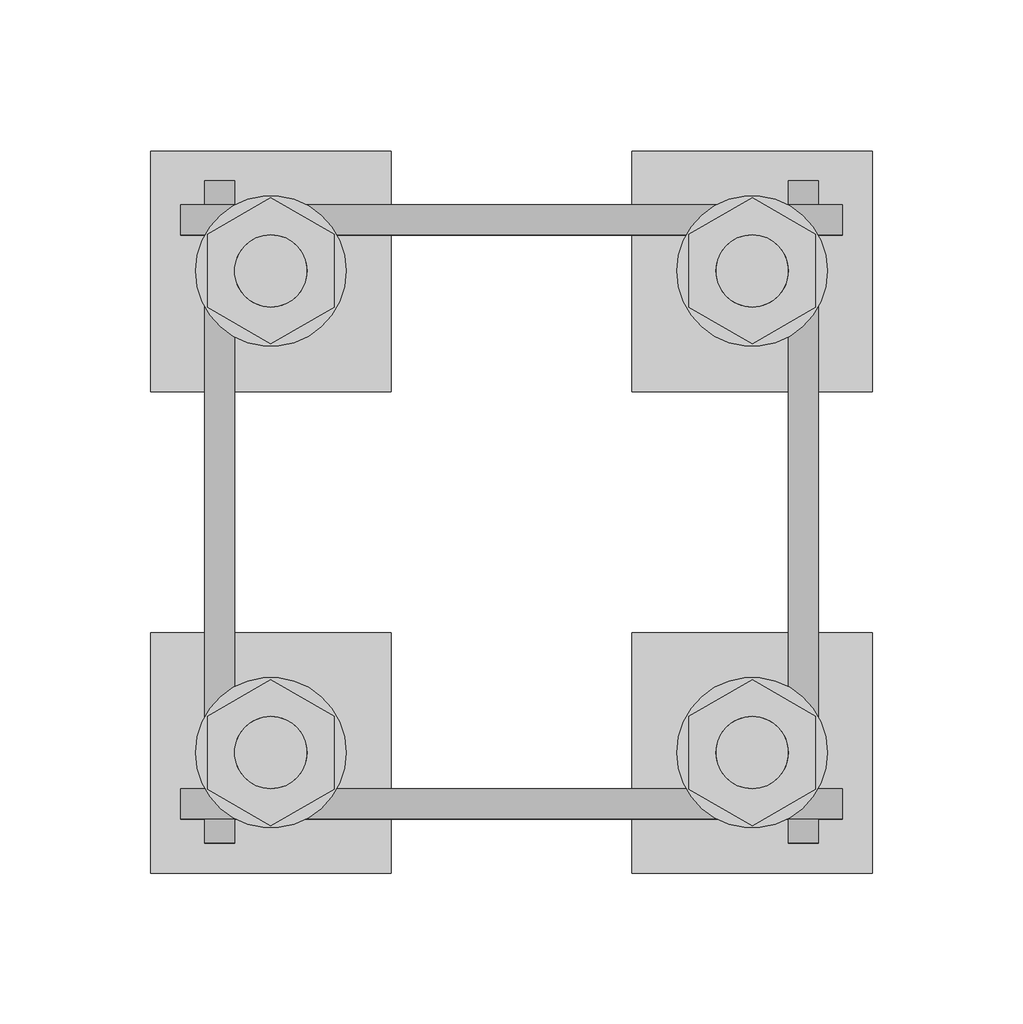
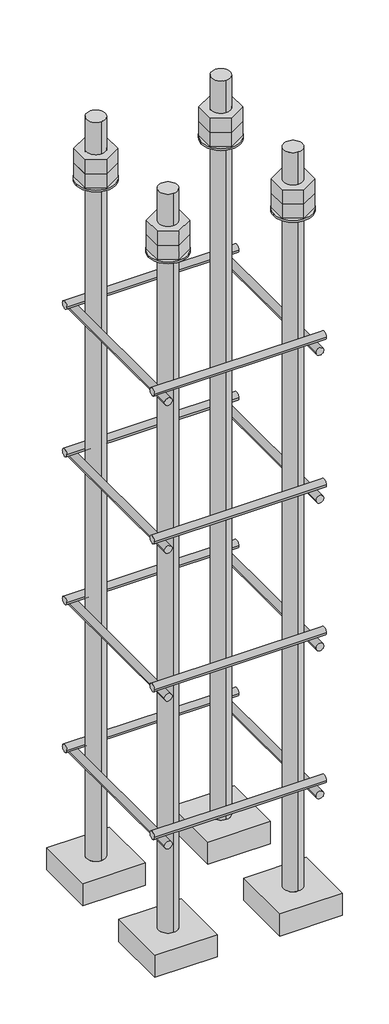
# One storey, part 26 of 66: 1 fastener.
"""IFC4 building model written with IfcOpenShell, lengths in millimetres."""

import ifcopenshell
import ifcopenshell.guid

model = None  # the IFC model being written
_history = None  # IfcOwnerHistory: only IFC2X3 demands one
_inside = {}  # id of a spatial element -> (the spatial element, [elements in it])
_under = {}  # id of a project, library or spatial element -> (it, [spatial elements below it])
_declared = {}  # id of a project -> (the project, [libraries it declares])
_typed = {}  # id of a type object -> (the type object, [elements of that type])
_made_of = {}  # id of a material, layer set ... -> (it, [elements and type objects made of it])


def new_model(schema):
    """Start an empty IFC model of exactly this schema.

    Asked for "IFC4X3", IfcOpenShell would pick the latest addendum, in which some entities
    have other attributes; the version numbers below select the first issue.
    IFC2X3 requires an IfcOwnerHistory on every rooted entity: one is made here for all.
    """
    global model, _history
    if schema == "IFC4X3":
        model = ifcopenshell.file(schema_version=(4, 3, 0, 0))
    else:
        model = ifcopenshell.file(schema=schema)
    _inside.clear()
    _under.clear()
    _declared.clear()
    _typed.clear()
    _made_of.clear()
    _history = None
    if model.schema == "IFC2X3":
        org = make("IfcOrganization", Name="unknown")
        user = make(
            "IfcPersonAndOrganization",
            ThePerson=make("IfcPerson", FamilyName="unknown"),
            TheOrganization=org,
        )
        app = make(
            "IfcApplication",
            ApplicationDeveloper=org,
            Version="unknown",
            ApplicationFullName="unknown",
            ApplicationIdentifier="unknown",
        )
        _history = make(
            "IfcOwnerHistory",
            OwningUser=user,
            OwningApplication=app,
            ChangeAction="ADDED",
            CreationDate=0,
        )
    return model


def make(cls, **values):
    """One entity of the class cls with the attributes given. An attribute that is None is left unset."""
    return model.create_entity(
        cls, **{name: value for name, value in values.items() if value is not None}
    )


def rooted(cls, **values):
    """An entity with a GlobalId (a new one), such as an element, a storey or a relation."""
    return make(cls, GlobalId=ifcopenshell.guid.new(), OwnerHistory=_history, **values)


def si_unit(unit_type, name, prefix=None):
    """IfcSIUnit, for example si_unit("LENGTHUNIT", "METRE", prefix="MILLI")."""
    return make("IfcSIUnit", UnitType=unit_type, Prefix=prefix, Name=name)


def assignment(units):
    """IfcUnitAssignment: the units of a project."""
    return None if units is None else make("IfcUnitAssignment", Units=units)


def point(xyz):
    """IfcCartesianPoint."""
    return None if xyz is None else make("IfcCartesianPoint", Coordinates=xyz)


def direction(xyz):
    """IfcDirection."""
    return None if xyz is None else make("IfcDirection", DirectionRatios=xyz)


def frame(location, z_axis=None, x_axis=None):
    """IfcAxis2Placement3D, a coordinate frame: its origin and axes. An axis left out is left unset."""
    return make(
        "IfcAxis2Placement3D",
        Location=point(location),
        Axis=direction(z_axis),
        RefDirection=direction(x_axis),
    )


def frame_2d(location, x_axis=None):
    """IfcAxis2Placement2D, a coordinate frame in the plane: its origin and x axis."""
    return make(
        "IfcAxis2Placement2D", Location=point(location), RefDirection=direction(x_axis)
    )


def origin():
    """The frame at (0, 0, 0) with its axes left unset."""
    return frame((0.0, 0.0, 0.0))


def place(relative_to, where):
    """IfcLocalPlacement: puts the frame where relative to a parent placement (None: the world)."""
    return make(
        "IfcLocalPlacement", PlacementRelTo=relative_to, RelativePlacement=where
    )


def context(
    kind, dimensions, precision=None, world=None, true_north=None, identifier=None
):
    """IfcGeometricRepresentationContext, for example the 3D "Model" context."""
    return make(
        "IfcGeometricRepresentationContext",
        ContextIdentifier=identifier,
        ContextType=kind,
        CoordinateSpaceDimension=dimensions,
        Precision=precision,
        WorldCoordinateSystem=world,
        TrueNorth=true_north,
    )


def project(units=None, contexts=None):
    """IfcProject with its units and contexts."""
    return rooted(
        "IfcProject",
        Name="project",
        RepresentationContexts=contexts,
        UnitsInContext=assignment(units),
    )


def spatial(cls, under=None, at=None, **own):
    """A site, building, storey or space (cls), placed at a placement, below another one or the project."""
    s = rooted(cls, ObjectPlacement=at, **own)
    if under is not None:
        _under.setdefault(under.id(), (under, []))[1].append(s)
    return s


def polyline(points):
    """IfcPolyline through the points."""
    return make("IfcPolyline", Points=[point(p) for p in points])


def circle_curve(where, radius):
    """IfcCircle in the frame where."""
    return make("IfcCircle", Position=where, Radius=radius)


def trimmed(basis, trim1, trim2, sense, master):
    """IfcTrimmedCurve: the piece of a basis curve between two trims."""
    return make(
        "IfcTrimmedCurve",
        BasisCurve=basis,
        Trim1=trim1,
        Trim2=trim2,
        SenseAgreement=sense,
        MasterRepresentation=master,
    )


def segment(curve, same_sense, transition):
    """IfcCompositeCurveSegment."""
    return make(
        "IfcCompositeCurveSegment",
        Transition=transition,
        SameSense=same_sense,
        ParentCurve=curve,
    )


def composite_curve(segments, self_intersect=None):
    """IfcCompositeCurve: segments joined end to end."""
    return make("IfcCompositeCurve", Segments=segments, SelfIntersect=self_intersect)


def outline(outer, holes=None, kind="AREA"):
    """IfcArbitraryClosedProfileDef: a profile drawn as a closed curve; with holes, ...WithVoids."""
    if holes is None:
        return make("IfcArbitraryClosedProfileDef", ProfileType=kind, OuterCurve=outer)
    return make(
        "IfcArbitraryProfileDefWithVoids",
        ProfileType=kind,
        OuterCurve=outer,
        InnerCurves=holes,
    )


def extrude(swept, where, along, depth):
    """IfcExtrudedAreaSolid: the profile swept, set in the frame where, extruded along a direction by depth."""
    return make(
        "IfcExtrudedAreaSolid",
        SweptArea=swept,
        Position=where,
        ExtrudedDirection=direction(along),
        Depth=depth,
    )


def shape(context_of_items, identifier, shape_type, items):
    """IfcShapeRepresentation: the items that make up one representation, for example the "Body"."""
    return make(
        "IfcShapeRepresentation",
        ContextOfItems=context_of_items,
        RepresentationIdentifier=identifier,
        RepresentationType=shape_type,
        Items=items,
    )


def made_of(thing, what):
    """Note that an element or type object is made of a material, layer set ...; save() writes the relation."""
    if what is not None:
        _made_of.setdefault(what.id(), (what, []))[1].append(thing)
    return thing


def element(
    cls,
    number,
    at=None,
    inside=None,
    cuts=None,
    type_object=None,
    material=None,
    context=None,
    identifier="Body",
    shape_type=None,
    held_by="IfcProductDefinitionShape",
    body=None,
    shapes=None,
    **own,
):
    """One element of the class cls, such as IfcWall. Its Tag is "e" and its number.

    at: its placement. inside: the storey or other place that contains it. cuts: it is an
    opening in that element (IfcRelVoidsElement). A single representation is given by context,
    identifier, shape_type and body (its items); several are given by shapes. held_by: the class
    of the entity that holds the representations. save() writes the other relations.
    """
    e = rooted(cls, Tag="e%d" % number, ObjectPlacement=at, **own)
    if body is not None:
        shapes = [shape(context, identifier, shape_type, body)]
    if shapes is not None:
        e.Representation = make(held_by, Representations=shapes)
    if inside is not None:
        _inside.setdefault(inside.id(), (inside, []))[1].append(e)
    if cuts is not None:
        rooted(
            "IfcRelVoidsElement", RelatingBuildingElement=cuts, RelatedOpeningElement=e
        )
    if type_object is not None:
        _typed.setdefault(type_object.id(), (type_object, []))[1].append(e)
    return made_of(e, material)


def aggregate(whole, parts):
    """IfcRelAggregates: a whole, such as a stair, and the parts it consists of."""
    return rooted("IfcRelAggregates", RelatingObject=whole, RelatedObjects=parts)


def save(model, path):
    """Write the relations noted so far, then the file.

    IfcRelAggregates (storeys below a building ...), IfcRelContainedInSpatialStructure (elements
    in a storey), IfcRelDefinesByType, IfcRelAssociatesMaterial and IfcRelDeclares: one each for
    every whole, place, type object, material and project.
    """
    for whole, parts in _under.values():
        aggregate(whole, parts)
    for where, things in _inside.values():
        rooted(
            "IfcRelContainedInSpatialStructure",
            RelatedElements=things,
            RelatingStructure=where,
        )
    for kind, things in _typed.values():
        rooted("IfcRelDefinesByType", RelatedObjects=things, RelatingType=kind)
    for what, things in _made_of.values():
        rooted("IfcRelAssociatesMaterial", RelatedObjects=things, RelatingMaterial=what)
    for by, libraries in _declared.values():
        rooted("IfcRelDeclares", RelatingContext=by, RelatedDefinitions=libraries)
    model.write(path)


def plane_surface(at):
    """IfcPlane: the flat surface through the origin of the frame at, square to its z axis."""
    return make("IfcPlane", Position=at)


def cylinder_surface(at, radius):
    """IfcCylindricalSurface: all points at the distance radius from the z axis of the frame at."""
    return make("IfcCylindricalSurface", Position=at, Radius=radius)


def advanced_brep(points, edges, surfaces, faces):
    """IfcAdvancedBrep: a solid bounded by faces that lie on surfaces and meet in shared edges.

    An edge is (start, end): straight between two places in points (the first is 0);
    or (start, end, curve); or (start, end, curve, False) where it runs against its curve.
    A face is (place in surfaces, loops), or (place, loops, False) where it looks against
    its surface's normal. A loop lists edges by number (the first is 1), with a minus sign
    where the edge is run from its end to its start. The first loop is the outer one.
    """
    corners = [point(p) for p in points]
    vertices = [make("IfcVertexPoint", VertexGeometry=c) for c in corners]
    made = []
    for start, end, *more in edges:
        made.append(
            make(
                "IfcEdgeCurve",
                EdgeStart=vertices[start],
                EdgeEnd=vertices[end],
                EdgeGeometry=more[0] if more else make("IfcPolyline", Points=[corners[start], corners[end]]),
                SameSense=more[1] if len(more) > 1 else True,
            )
        )
    hull = []
    for where, loops, *sense in faces:
        bounds = []
        for j, loop in enumerate(loops):
            ring = [make("IfcOrientedEdge", EdgeElement=made[abs(k) - 1], Orientation=k > 0) for k in loop]
            bounds.append(
                make(
                    "IfcFaceOuterBound" if j == 0 else "IfcFaceBound",
                    Bound=make("IfcEdgeLoop", EdgeList=ring),
                    Orientation=True,
                )
            )
        hull.append(make("IfcAdvancedFace", Bounds=bounds, FaceSurface=surfaces[where], SameSense=sense[0] if sense else True))
    return make("IfcAdvancedBrep", Outer=make("IfcClosedShell", CfsFaces=hull))


model = new_model("IFC4")

# Units and contexts
model_context = context("Model", 3, world=origin())
ifc_project = project(units=[si_unit("LENGTHUNIT", "METRE", prefix="MILLI")], contexts=[model_context])

# Site, building, storey
site = spatial("IfcSite", under=ifc_project)
building = spatial("IfcBuilding", under=site)
storey = spatial("IfcBuildingStorey", under=building, Elevation=9070.0)

# Fastener
placement = place(None, origin())
element("IfcFastener", 1, ObjectType="AU1 : AU-01", at=placement, inside=storey, context=model_context, shape_type="SolidModel", body=[
    extrude(outline(composite_curve([segment(trimmed(circle_curve(frame_2d((20703.0, 8595.0)), 5.0), [point((20698.0, 8595.0))], [point((20708.0, 8595.0))], False, "CARTESIAN"), True, "CONTINUOUS"), segment(trimmed(circle_curve(frame_2d((20703.0, 8595.0)), 5.0), [point((20708.0, 8595.0))], [point((20698.0, 8595.0))], False, "CARTESIAN"), True, "CONTINUOUS")], self_intersect=False)), frame((35040.0, 0.0, 0.0), z_axis=(1.0, 0.0, 0.0), x_axis=(0.0, 1.0, 0.0)), (0.0, 0.0, 1.0), 220.0),
    extrude(outline(composite_curve([segment(trimmed(circle_curve(frame_2d((20897.0, 8595.0)), 5.0), [point((20902.0, 8595.0))], [point((20892.0, 8595.0))], False, "CARTESIAN"), True, "CONTINUOUS"), segment(trimmed(circle_curve(frame_2d((20897.0, 8595.0)), 5.0), [point((20892.0, 8595.0))], [point((20902.0, 8595.0))], False, "CARTESIAN"), True, "CONTINUOUS")], self_intersect=False)), frame((35040.0, 0.0, 0.0), z_axis=(1.0, 0.0, 0.0), x_axis=(0.0, 1.0, 0.0)), (0.0, 0.0, 1.0), 220.0),
    extrude(outline(composite_curve([segment(trimmed(circle_curve(frame_2d((8585.0, 35053.0)), 5.0), [point((8585.0, 35048.0))], [point((8585.0, 35058.0))], False, "CARTESIAN"), True, "CONTINUOUS"), segment(trimmed(circle_curve(frame_2d((8585.0, 35053.0)), 5.0), [point((8585.0, 35058.0))], [point((8585.0, 35048.0))], False, "CARTESIAN"), True, "CONTINUOUS")], self_intersect=False)), frame((0.0, 20690.0, 0.0), z_axis=(0.0, 1.0, 0.0), x_axis=(0.0, 0.0, 1.0)), (0.0, 0.0, 1.0), 220.0),
    extrude(outline(composite_curve([segment(trimmed(circle_curve(frame_2d((8585.0, 35247.0)), 5.0), [point((8585.0, 35252.0))], [point((8585.0, 35242.0))], False, "CARTESIAN"), True, "CONTINUOUS"), segment(trimmed(circle_curve(frame_2d((8585.0, 35247.0)), 5.0), [point((8585.0, 35242.0))], [point((8585.0, 35252.0))], False, "CARTESIAN"), True, "CONTINUOUS")], self_intersect=False)), frame((0.0, 20690.0, 0.0), z_axis=(0.0, 1.0, 0.0), x_axis=(0.0, 0.0, 1.0)), (0.0, 0.0, 1.0), 220.0),
    extrude(outline(composite_curve([segment(trimmed(circle_curve(frame_2d((20703.0, 8795.0)), 5.0), [point((20698.0, 8795.0))], [point((20708.0, 8795.0))], False, "CARTESIAN"), True, "CONTINUOUS"), segment(trimmed(circle_curve(frame_2d((20703.0, 8795.0)), 5.0), [point((20708.0, 8795.0))], [point((20698.0, 8795.0))], False, "CARTESIAN"), True, "CONTINUOUS")], self_intersect=False)), frame((35040.0, 0.0, 0.0), z_axis=(1.0, 0.0, 0.0), x_axis=(0.0, 1.0, 0.0)), (0.0, 0.0, 1.0), 220.0),
    extrude(outline(composite_curve([segment(trimmed(circle_curve(frame_2d((20897.0, 8795.0)), 5.0), [point((20902.0, 8795.0))], [point((20892.0, 8795.0))], False, "CARTESIAN"), True, "CONTINUOUS"), segment(trimmed(circle_curve(frame_2d((20897.0, 8795.0)), 5.0), [point((20892.0, 8795.0))], [point((20902.0, 8795.0))], False, "CARTESIAN"), True, "CONTINUOUS")], self_intersect=False)), frame((35040.0, 0.0, 0.0), z_axis=(1.0, 0.0, 0.0), x_axis=(0.0, 1.0, 0.0)), (0.0, 0.0, 1.0), 220.0),
    extrude(outline(composite_curve([segment(trimmed(circle_curve(frame_2d((8785.0, 35053.0)), 5.0), [point((8785.0, 35048.0))], [point((8785.0, 35058.0))], False, "CARTESIAN"), True, "CONTINUOUS"), segment(trimmed(circle_curve(frame_2d((8785.0, 35053.0)), 5.0), [point((8785.0, 35058.0))], [point((8785.0, 35048.0))], False, "CARTESIAN"), True, "CONTINUOUS")], self_intersect=False)), frame((0.0, 20690.0, 0.0), z_axis=(0.0, 1.0, 0.0), x_axis=(0.0, 0.0, 1.0)), (0.0, 0.0, 1.0), 220.0),
    extrude(outline(composite_curve([segment(trimmed(circle_curve(frame_2d((8785.0, 35247.0)), 5.0), [point((8785.0, 35252.0))], [point((8785.0, 35242.0))], False, "CARTESIAN"), True, "CONTINUOUS"), segment(trimmed(circle_curve(frame_2d((8785.0, 35247.0)), 5.0), [point((8785.0, 35242.0))], [point((8785.0, 35252.0))], False, "CARTESIAN"), True, "CONTINUOUS")], self_intersect=False)), frame((0.0, 20690.0, 0.0), z_axis=(0.0, 1.0, 0.0), x_axis=(0.0, 0.0, 1.0)), (0.0, 0.0, 1.0), 220.0),
    extrude(outline(composite_curve([segment(trimmed(circle_curve(frame_2d((20703.0, 8995.0)), 5.0), [point((20698.0, 8995.0))], [point((20708.0, 8995.0))], False, "CARTESIAN"), True, "CONTINUOUS"), segment(trimmed(circle_curve(frame_2d((20703.0, 8995.0)), 5.0), [point((20708.0, 8995.0))], [point((20698.0, 8995.0))], False, "CARTESIAN"), True, "CONTINUOUS")], self_intersect=False)), frame((35040.0, 0.0, 0.0), z_axis=(1.0, 0.0, 0.0), x_axis=(0.0, 1.0, 0.0)), (0.0, 0.0, 1.0), 220.0),
    extrude(outline(composite_curve([segment(trimmed(circle_curve(frame_2d((20897.0, 8995.0)), 5.0), [point((20902.0, 8995.0))], [point((20892.0, 8995.0))], False, "CARTESIAN"), True, "CONTINUOUS"), segment(trimmed(circle_curve(frame_2d((20897.0, 8995.0)), 5.0), [point((20892.0, 8995.0))], [point((20902.0, 8995.0))], False, "CARTESIAN"), True, "CONTINUOUS")], self_intersect=False)), frame((35040.0, 0.0, 0.0), z_axis=(1.0, 0.0, 0.0), x_axis=(0.0, 1.0, 0.0)), (0.0, 0.0, 1.0), 220.0),
    extrude(outline(composite_curve([segment(trimmed(circle_curve(frame_2d((8985.0, 35053.0)), 5.0), [point((8985.0, 35048.0))], [point((8985.0, 35058.0))], False, "CARTESIAN"), True, "CONTINUOUS"), segment(trimmed(circle_curve(frame_2d((8985.0, 35053.0)), 5.0), [point((8985.0, 35058.0))], [point((8985.0, 35048.0))], False, "CARTESIAN"), True, "CONTINUOUS")], self_intersect=False)), frame((0.0, 20690.0, 0.0), z_axis=(0.0, 1.0, 0.0), x_axis=(0.0, 0.0, 1.0)), (0.0, 0.0, 1.0), 220.0),
    extrude(outline(composite_curve([segment(trimmed(circle_curve(frame_2d((8985.0, 35247.0)), 5.0), [point((8985.0, 35252.0))], [point((8985.0, 35242.0))], False, "CARTESIAN"), True, "CONTINUOUS"), segment(trimmed(circle_curve(frame_2d((8985.0, 35247.0)), 5.0), [point((8985.0, 35242.0))], [point((8985.0, 35252.0))], False, "CARTESIAN"), True, "CONTINUOUS")], self_intersect=False)), frame((0.0, 20690.0, 0.0), z_axis=(0.0, 1.0, 0.0), x_axis=(0.0, 0.0, 1.0)), (0.0, 0.0, 1.0), 220.0),
    extrude(outline(composite_curve([segment(trimmed(circle_curve(frame_2d((20703.0, 9195.0)), 5.0), [point((20698.0, 9195.0))], [point((20708.0, 9195.0))], False, "CARTESIAN"), True, "CONTINUOUS"), segment(trimmed(circle_curve(frame_2d((20703.0, 9195.0)), 5.0), [point((20708.0, 9195.0))], [point((20698.0, 9195.0))], False, "CARTESIAN"), True, "CONTINUOUS")], self_intersect=False)), frame((35040.0, 0.0, 0.0), z_axis=(1.0, 0.0, 0.0), x_axis=(0.0, 1.0, 0.0)), (0.0, 0.0, 1.0), 220.0),
    extrude(outline(composite_curve([segment(trimmed(circle_curve(frame_2d((20897.0, 9195.0)), 5.0), [point((20902.0, 9195.0))], [point((20892.0, 9195.0))], False, "CARTESIAN"), True, "CONTINUOUS"), segment(trimmed(circle_curve(frame_2d((20897.0, 9195.0)), 5.0), [point((20892.0, 9195.0))], [point((20902.0, 9195.0))], False, "CARTESIAN"), True, "CONTINUOUS")], self_intersect=False)), frame((35040.0, 0.0, 0.0), z_axis=(1.0, 0.0, 0.0), x_axis=(0.0, 1.0, 0.0)), (0.0, 0.0, 1.0), 220.0),
    extrude(outline(composite_curve([segment(trimmed(circle_curve(frame_2d((9185.0, 35053.0)), 5.0), [point((9185.0, 35048.0))], [point((9185.0, 35058.0))], False, "CARTESIAN"), True, "CONTINUOUS"), segment(trimmed(circle_curve(frame_2d((9185.0, 35053.0)), 5.0), [point((9185.0, 35058.0))], [point((9185.0, 35048.0))], False, "CARTESIAN"), True, "CONTINUOUS")], self_intersect=False)), frame((0.0, 20690.0, 0.0), z_axis=(0.0, 1.0, 0.0), x_axis=(0.0, 0.0, 1.0)), (0.0, 0.0, 1.0), 220.0),
    extrude(outline(composite_curve([segment(trimmed(circle_curve(frame_2d((9185.0, 35247.0)), 5.0), [point((9185.0, 35252.0))], [point((9185.0, 35242.0))], False, "CARTESIAN"), True, "CONTINUOUS"), segment(trimmed(circle_curve(frame_2d((9185.0, 35247.0)), 5.0), [point((9185.0, 35242.0))], [point((9185.0, 35252.0))], False, "CARTESIAN"), True, "CONTINUOUS")], self_intersect=False)), frame((0.0, 20690.0, 0.0), z_axis=(0.0, 1.0, 0.0), x_axis=(0.0, 0.0, 1.0)), (0.0, 0.0, 1.0), 220.0),
    advanced_brep(
    [(35110.0, 20920.0, 8450.0), (35030.0, 20920.0, 8450.0), (35030.0, 20840.0, 8450.0), (35110.0, 20840.0, 8450.0), (35070.0, 20868.0, 8450.0), (35070.0, 20892.0, 8450.0), (35110.0, 20920.0, 8420.0), (35110.0, 20840.0, 8420.0), (35030.0, 20840.0, 8420.0), (35030.0, 20920.0, 8420.0), (35070.0, 20892.0, 9450.0), (35070.0, 20868.0, 9450.0)],
    [
        (0, 1),
        (1, 2),
        (2, 3),
        (3, 0),
        (4, 5, circle_curve(frame((35070.0, 20880.0, 8450.0), z_axis=(0.0, 0.0, -1.0), x_axis=(0.0, -1.0, 0.0)), 12.0)),
        (5, 4, circle_curve(frame((35070.0, 20880.0, 8450.0), z_axis=(0.0, 0.0, -1.0), x_axis=(0.0, -1.0, 0.0)), 12.0)),
        (6, 7),
        (7, 8),
        (8, 9),
        (9, 6),
        (0, 6),
        (9, 1),
        (8, 2),
        (7, 3),
        (10, 11, circle_curve(frame((35070.0, 20880.0, 9450.0), z_axis=(0.0, 0.0, 1.0), x_axis=(0.0, -1.0, 0.0)), 12.0)),
        (11, 10, circle_curve(frame((35070.0, 20880.0, 9450.0), z_axis=(0.0, 0.0, 1.0), x_axis=(0.0, -1.0, 0.0)), 12.0)),
        (10, 5),
        (4, 11),
    ],
    [
        plane_surface(frame((35030.0, 20920.0, 8450.0), z_axis=(0.0, 0.0, 1.0), x_axis=(-1.0, 0.0, 0.0))),
        plane_surface(frame((35030.0, 20920.0, 8420.0), z_axis=(0.0, 0.0, -1.0), x_axis=(1.0, 0.0, 0.0))),
        plane_surface(frame((35110.0, 20920.0, 8450.0), z_axis=(0.0, 1.0, 0.0), x_axis=(0.0, 0.0, -1.0))),
        plane_surface(frame((35030.0, 20920.0, 8450.0), z_axis=(-1.0, 0.0, 0.0), x_axis=(0.0, 0.0, -1.0))),
        plane_surface(frame((35030.0, 20840.0, 8450.0), z_axis=(0.0, -1.0, 0.0), x_axis=(0.0, 0.0, -1.0))),
        plane_surface(frame((35110.0, 20840.0, 8450.0), z_axis=(1.0, 0.0, 0.0), x_axis=(0.0, 0.0, -1.0))),
        plane_surface(frame((35070.0, 20880.0, 9450.0), z_axis=(0.0, 0.0, 1.0), x_axis=(0.0, -1.0, 0.0))),
        cylinder_surface(frame((35070.0, 20880.0, 9450.0), z_axis=(0.0, 0.0, 1.0), x_axis=(0.0, -1.0, 0.0)), 12.0),
    ],
    [
        (0, [[1, 2, 3, 4], [5, 6]]),
        (1, [[7, 8, 9, 10]]),
        (2, [[-1, 11, -10, 12]]),
        (3, [[-2, -12, -9, 13]]),
        (4, [[-3, -13, -8, 14]]),
        (5, [[-4, -14, -7, -11]]),
        (6, [[15, 16]]),
        (7, [[-15, 17, -5, 18]]),
        (7, [[-16, -18, -6, -17]]),
    ],
),
    extrude(outline(composite_curve([segment(trimmed(circle_curve(frame_2d((35070.0, 20880.0)), 25.0), [point((35095.0, 20880.0))], [point((35045.0, 20880.0))], False, "CARTESIAN"), True, "CONTINUOUS"), segment(trimmed(circle_curve(frame_2d((35070.0, 20880.0)), 25.0), [point((35045.0, 20880.0))], [point((35095.0, 20880.0))], False, "CARTESIAN"), True, "CONTINUOUS")], self_intersect=False), holes=[composite_curve([segment(trimmed(circle_curve(frame_2d((35070.0, 20880.0)), 12.0), [point((35082.0, 20880.0))], [point((35058.0, 20880.0))], True, "CARTESIAN"), True, "CONTINUOUS"), segment(trimmed(circle_curve(frame_2d((35070.0, 20880.0)), 12.0), [point((35058.0, 20880.0))], [point((35082.0, 20880.0))], True, "CARTESIAN"), True, "CONTINUOUS")], self_intersect=False)]), frame((0.0, 0.0, 9365.0), z_axis=(0.0, 0.0, 1.0), x_axis=(1.0, 0.0, 0.0)), (0.0, 0.0, 1.0), 2.5),
    extrude(outline(polyline([(35070.0, 20904.2487113), (35091.0, 20892.1243557), (35091.0, 20867.8756443), (35070.0, 20855.7512887), (35049.0, 20867.8756443), (35049.0, 20892.1243557), (35070.0, 20904.2487113)]), holes=[composite_curve([segment(trimmed(circle_curve(frame_2d((35070.0, 20880.0)), 12.0), [point((35082.0, 20880.0))], [point((35058.0, 20880.0))], True, "CARTESIAN"), True, "CONTINUOUS"), segment(trimmed(circle_curve(frame_2d((35070.0, 20880.0)), 12.0), [point((35058.0, 20880.0))], [point((35082.0, 20880.0))], True, "CARTESIAN"), True, "CONTINUOUS")], self_intersect=False)]), frame((0.0, 0.0, 9387.0), z_axis=(0.0, 0.0, 1.0), x_axis=(1.0, 0.0, 0.0)), (0.0, 0.0, 1.0), 19.5),
    extrude(outline(polyline([(35070.0, 20904.2487113), (35091.0, 20892.1243557), (35091.0, 20867.8756443), (35070.0, 20855.7512887), (35049.0, 20867.8756443), (35049.0, 20892.1243557), (35070.0, 20904.2487113)]), holes=[composite_curve([segment(trimmed(circle_curve(frame_2d((35070.0, 20880.0)), 12.0), [point((35082.0, 20880.0))], [point((35058.0, 20880.0))], True, "CARTESIAN"), True, "CONTINUOUS"), segment(trimmed(circle_curve(frame_2d((35070.0, 20880.0)), 12.0), [point((35058.0, 20880.0))], [point((35082.0, 20880.0))], True, "CARTESIAN"), True, "CONTINUOUS")], self_intersect=False)]), frame((0.0, 0.0, 9367.5), z_axis=(0.0, 0.0, 1.0), x_axis=(1.0, 0.0, 0.0)), (0.0, 0.0, 1.0), 19.5),
    advanced_brep(
    [(35190.0, 20840.0, 8450.0), (35270.0, 20840.0, 8450.0), (35270.0, 20920.0, 8450.0), (35190.0, 20920.0, 8450.0), (35230.0, 20892.0, 8450.0), (35230.0, 20868.0, 8450.0), (35190.0, 20840.0, 8420.0), (35190.0, 20920.0, 8420.0), (35270.0, 20920.0, 8420.0), (35270.0, 20840.0, 8420.0), (35230.0, 20868.0, 9450.0), (35230.0, 20892.0, 9450.0)],
    [
        (0, 1),
        (1, 2),
        (2, 3),
        (3, 0),
        (4, 5, circle_curve(frame((35230.0, 20880.0, 8450.0), z_axis=(0.0, 0.0, -1.0), x_axis=(0.0, 1.0, 0.0)), 12.0)),
        (5, 4, circle_curve(frame((35230.0, 20880.0, 8450.0), z_axis=(0.0, 0.0, -1.0), x_axis=(0.0, 1.0, 0.0)), 12.0)),
        (6, 7),
        (7, 8),
        (8, 9),
        (9, 6),
        (0, 6),
        (9, 1),
        (8, 2),
        (7, 3),
        (10, 11, circle_curve(frame((35230.0, 20880.0, 9450.0), z_axis=(0.0, 0.0, 1.0), x_axis=(0.0, 1.0, 0.0)), 12.0)),
        (11, 10, circle_curve(frame((35230.0, 20880.0, 9450.0), z_axis=(0.0, 0.0, 1.0), x_axis=(0.0, 1.0, 0.0)), 12.0)),
        (10, 5),
        (4, 11),
    ],
    [
        plane_surface(frame((35270.0, 20840.0, 8450.0), z_axis=(0.0, 0.0, 1.0), x_axis=(1.0, 0.0, 0.0))),
        plane_surface(frame((35270.0, 20840.0, 8420.0), z_axis=(0.0, 0.0, -1.0), x_axis=(-1.0, 0.0, 0.0))),
        plane_surface(frame((35190.0, 20840.0, 8450.0), z_axis=(0.0, -1.0, 0.0), x_axis=(0.0, 0.0, -1.0))),
        plane_surface(frame((35270.0, 20840.0, 8450.0), z_axis=(1.0, 0.0, 0.0), x_axis=(0.0, 0.0, -1.0))),
        plane_surface(frame((35270.0, 20920.0, 8450.0), z_axis=(0.0, 1.0, 0.0), x_axis=(0.0, 0.0, -1.0))),
        plane_surface(frame((35190.0, 20920.0, 8450.0), z_axis=(-1.0, 0.0, 0.0), x_axis=(0.0, 0.0, -1.0))),
        plane_surface(frame((35230.0, 20880.0, 9450.0), z_axis=(0.0, 0.0, 1.0), x_axis=(0.0, 1.0, 0.0))),
        cylinder_surface(frame((35230.0, 20880.0, 9450.0), z_axis=(0.0, 0.0, 1.0), x_axis=(0.0, 1.0, 0.0)), 12.0),
    ],
    [
        (0, [[1, 2, 3, 4], [5, 6]]),
        (1, [[7, 8, 9, 10]]),
        (2, [[-1, 11, -10, 12]]),
        (3, [[-2, -12, -9, 13]]),
        (4, [[-3, -13, -8, 14]]),
        (5, [[-4, -14, -7, -11]]),
        (6, [[15, 16]]),
        (7, [[-15, 17, -5, 18]]),
        (7, [[-16, -18, -6, -17]]),
    ],
),
    extrude(outline(composite_curve([segment(trimmed(circle_curve(frame_2d((35230.0, 20880.0)), 25.0), [point((35205.0, 20880.0))], [point((35255.0, 20880.0))], False, "CARTESIAN"), True, "CONTINUOUS"), segment(trimmed(circle_curve(frame_2d((35230.0, 20880.0)), 25.0), [point((35255.0, 20880.0))], [point((35205.0, 20880.0))], False, "CARTESIAN"), True, "CONTINUOUS")], self_intersect=False), holes=[composite_curve([segment(trimmed(circle_curve(frame_2d((35230.0, 20880.0)), 12.0), [point((35218.0, 20880.0))], [point((35242.0, 20880.0))], True, "CARTESIAN"), True, "CONTINUOUS"), segment(trimmed(circle_curve(frame_2d((35230.0, 20880.0)), 12.0), [point((35242.0, 20880.0))], [point((35218.0, 20880.0))], True, "CARTESIAN"), True, "CONTINUOUS")], self_intersect=False)]), frame((0.0, 0.0, 9365.0), z_axis=(0.0, 0.0, 1.0), x_axis=(1.0, 0.0, 0.0)), (0.0, 0.0, 1.0), 2.5),
    extrude(outline(polyline([(35230.0, 20855.7512887), (35209.0, 20867.8756443), (35209.0, 20892.1243557), (35230.0, 20904.2487113), (35251.0, 20892.1243557), (35251.0, 20867.8756443), (35230.0, 20855.7512887)]), holes=[composite_curve([segment(trimmed(circle_curve(frame_2d((35230.0, 20880.0)), 12.0), [point((35218.0, 20880.0))], [point((35242.0, 20880.0))], True, "CARTESIAN"), True, "CONTINUOUS"), segment(trimmed(circle_curve(frame_2d((35230.0, 20880.0)), 12.0), [point((35242.0, 20880.0))], [point((35218.0, 20880.0))], True, "CARTESIAN"), True, "CONTINUOUS")], self_intersect=False)]), frame((0.0, 0.0, 9387.0), z_axis=(0.0, 0.0, 1.0), x_axis=(1.0, 0.0, 0.0)), (0.0, 0.0, 1.0), 19.5),
    extrude(outline(polyline([(35230.0, 20855.7512887), (35209.0, 20867.8756443), (35209.0, 20892.1243557), (35230.0, 20904.2487113), (35251.0, 20892.1243557), (35251.0, 20867.8756443), (35230.0, 20855.7512887)]), holes=[composite_curve([segment(trimmed(circle_curve(frame_2d((35230.0, 20880.0)), 12.0), [point((35218.0, 20880.0))], [point((35242.0, 20880.0))], True, "CARTESIAN"), True, "CONTINUOUS"), segment(trimmed(circle_curve(frame_2d((35230.0, 20880.0)), 12.0), [point((35242.0, 20880.0))], [point((35218.0, 20880.0))], True, "CARTESIAN"), True, "CONTINUOUS")], self_intersect=False)]), frame((0.0, 0.0, 9367.5), z_axis=(0.0, 0.0, 1.0), x_axis=(1.0, 0.0, 0.0)), (0.0, 0.0, 1.0), 19.5),
    advanced_brep(
    [(35190.0, 20680.0, 8450.0), (35270.0, 20680.0, 8450.0), (35270.0, 20760.0, 8450.0), (35190.0, 20760.0, 8450.0), (35230.0, 20732.0, 8450.0), (35230.0, 20708.0, 8450.0), (35190.0, 20680.0, 8420.0), (35190.0, 20760.0, 8420.0), (35270.0, 20760.0, 8420.0), (35270.0, 20680.0, 8420.0), (35230.0, 20708.0, 9450.0), (35230.0, 20732.0, 9450.0)],
    [
        (0, 1),
        (1, 2),
        (2, 3),
        (3, 0),
        (4, 5, circle_curve(frame((35230.0, 20720.0, 8450.0), z_axis=(0.0, 0.0, -1.0), x_axis=(0.0, 1.0, 0.0)), 12.0)),
        (5, 4, circle_curve(frame((35230.0, 20720.0, 8450.0), z_axis=(0.0, 0.0, -1.0), x_axis=(0.0, 1.0, 0.0)), 12.0)),
        (6, 7),
        (7, 8),
        (8, 9),
        (9, 6),
        (0, 6),
        (9, 1),
        (8, 2),
        (7, 3),
        (10, 11, circle_curve(frame((35230.0, 20720.0, 9450.0), z_axis=(0.0, 0.0, 1.0), x_axis=(0.0, 1.0, 0.0)), 12.0)),
        (11, 10, circle_curve(frame((35230.0, 20720.0, 9450.0), z_axis=(0.0, 0.0, 1.0), x_axis=(0.0, 1.0, 0.0)), 12.0)),
        (10, 5),
        (4, 11),
    ],
    [
        plane_surface(frame((35270.0, 20680.0, 8450.0), z_axis=(0.0, 0.0, 1.0), x_axis=(1.0, 0.0, 0.0))),
        plane_surface(frame((35270.0, 20680.0, 8420.0), z_axis=(0.0, 0.0, -1.0), x_axis=(-1.0, 0.0, 0.0))),
        plane_surface(frame((35190.0, 20680.0, 8450.0), z_axis=(0.0, -1.0, 0.0), x_axis=(0.0, 0.0, -1.0))),
        plane_surface(frame((35270.0, 20680.0, 8450.0), z_axis=(1.0, 0.0, 0.0), x_axis=(0.0, 0.0, -1.0))),
        plane_surface(frame((35270.0, 20760.0, 8450.0), z_axis=(0.0, 1.0, 0.0), x_axis=(0.0, 0.0, -1.0))),
        plane_surface(frame((35190.0, 20760.0, 8450.0), z_axis=(-1.0, 0.0, 0.0), x_axis=(0.0, 0.0, -1.0))),
        plane_surface(frame((35230.0, 20720.0, 9450.0), z_axis=(0.0, 0.0, 1.0), x_axis=(0.0, 1.0, 0.0))),
        cylinder_surface(frame((35230.0, 20720.0, 9450.0), z_axis=(0.0, 0.0, 1.0), x_axis=(0.0, 1.0, 0.0)), 12.0),
    ],
    [
        (0, [[1, 2, 3, 4], [5, 6]]),
        (1, [[7, 8, 9, 10]]),
        (2, [[-1, 11, -10, 12]]),
        (3, [[-2, -12, -9, 13]]),
        (4, [[-3, -13, -8, 14]]),
        (5, [[-4, -14, -7, -11]]),
        (6, [[15, 16]]),
        (7, [[-15, 17, -5, 18]]),
        (7, [[-16, -18, -6, -17]]),
    ],
),
    extrude(outline(composite_curve([segment(trimmed(circle_curve(frame_2d((35230.0, 20720.0)), 25.0), [point((35205.0, 20720.0))], [point((35255.0, 20720.0))], False, "CARTESIAN"), True, "CONTINUOUS"), segment(trimmed(circle_curve(frame_2d((35230.0, 20720.0)), 25.0), [point((35255.0, 20720.0))], [point((35205.0, 20720.0))], False, "CARTESIAN"), True, "CONTINUOUS")], self_intersect=False), holes=[composite_curve([segment(trimmed(circle_curve(frame_2d((35230.0, 20720.0)), 12.0), [point((35218.0, 20720.0))], [point((35242.0, 20720.0))], True, "CARTESIAN"), True, "CONTINUOUS"), segment(trimmed(circle_curve(frame_2d((35230.0, 20720.0)), 12.0), [point((35242.0, 20720.0))], [point((35218.0, 20720.0))], True, "CARTESIAN"), True, "CONTINUOUS")], self_intersect=False)]), frame((0.0, 0.0, 9365.0), z_axis=(0.0, 0.0, 1.0), x_axis=(1.0, 0.0, 0.0)), (0.0, 0.0, 1.0), 2.5),
    extrude(outline(polyline([(35230.0, 20695.7512887), (35209.0, 20707.8756443), (35209.0, 20732.1243557), (35230.0, 20744.2487113), (35251.0, 20732.1243557), (35251.0, 20707.8756443), (35230.0, 20695.7512887)]), holes=[composite_curve([segment(trimmed(circle_curve(frame_2d((35230.0, 20720.0)), 12.0), [point((35218.0, 20720.0))], [point((35242.0, 20720.0))], True, "CARTESIAN"), True, "CONTINUOUS"), segment(trimmed(circle_curve(frame_2d((35230.0, 20720.0)), 12.0), [point((35242.0, 20720.0))], [point((35218.0, 20720.0))], True, "CARTESIAN"), True, "CONTINUOUS")], self_intersect=False)]), frame((0.0, 0.0, 9387.0), z_axis=(0.0, 0.0, 1.0), x_axis=(1.0, 0.0, 0.0)), (0.0, 0.0, 1.0), 19.5),
    extrude(outline(polyline([(35230.0, 20695.7512887), (35209.0, 20707.8756443), (35209.0, 20732.1243557), (35230.0, 20744.2487113), (35251.0, 20732.1243557), (35251.0, 20707.8756443), (35230.0, 20695.7512887)]), holes=[composite_curve([segment(trimmed(circle_curve(frame_2d((35230.0, 20720.0)), 12.0), [point((35218.0, 20720.0))], [point((35242.0, 20720.0))], True, "CARTESIAN"), True, "CONTINUOUS"), segment(trimmed(circle_curve(frame_2d((35230.0, 20720.0)), 12.0), [point((35242.0, 20720.0))], [point((35218.0, 20720.0))], True, "CARTESIAN"), True, "CONTINUOUS")], self_intersect=False)]), frame((0.0, 0.0, 9367.5), z_axis=(0.0, 0.0, 1.0), x_axis=(1.0, 0.0, 0.0)), (0.0, 0.0, 1.0), 19.5),
    advanced_brep(
    [(35110.0, 20760.0, 8450.0), (35030.0, 20760.0, 8450.0), (35030.0, 20680.0, 8450.0), (35110.0, 20680.0, 8450.0), (35070.0, 20708.0, 8450.0), (35070.0, 20732.0, 8450.0), (35110.0, 20760.0, 8420.0), (35110.0, 20680.0, 8420.0), (35030.0, 20680.0, 8420.0), (35030.0, 20760.0, 8420.0), (35070.0, 20732.0, 9450.0), (35070.0, 20708.0, 9450.0)],
    [
        (0, 1),
        (1, 2),
        (2, 3),
        (3, 0),
        (4, 5, circle_curve(frame((35070.0, 20720.0, 8450.0), z_axis=(0.0, 0.0, -1.0), x_axis=(0.0, -1.0, 0.0)), 12.0)),
        (5, 4, circle_curve(frame((35070.0, 20720.0, 8450.0), z_axis=(0.0, 0.0, -1.0), x_axis=(0.0, -1.0, 0.0)), 12.0)),
        (6, 7),
        (7, 8),
        (8, 9),
        (9, 6),
        (0, 6),
        (9, 1),
        (8, 2),
        (7, 3),
        (10, 11, circle_curve(frame((35070.0, 20720.0, 9450.0), z_axis=(0.0, 0.0, 1.0), x_axis=(0.0, -1.0, 0.0)), 12.0)),
        (11, 10, circle_curve(frame((35070.0, 20720.0, 9450.0), z_axis=(0.0, 0.0, 1.0), x_axis=(0.0, -1.0, 0.0)), 12.0)),
        (10, 5),
        (4, 11),
    ],
    [
        plane_surface(frame((35030.0, 20760.0, 8450.0), z_axis=(0.0, 0.0, 1.0), x_axis=(-1.0, 0.0, 0.0))),
        plane_surface(frame((35030.0, 20760.0, 8420.0), z_axis=(0.0, 0.0, -1.0), x_axis=(1.0, 0.0, 0.0))),
        plane_surface(frame((35110.0, 20760.0, 8450.0), z_axis=(0.0, 1.0, 0.0), x_axis=(0.0, 0.0, -1.0))),
        plane_surface(frame((35030.0, 20760.0, 8450.0), z_axis=(-1.0, 0.0, 0.0), x_axis=(0.0, 0.0, -1.0))),
        plane_surface(frame((35030.0, 20680.0, 8450.0), z_axis=(0.0, -1.0, 0.0), x_axis=(0.0, 0.0, -1.0))),
        plane_surface(frame((35110.0, 20680.0, 8450.0), z_axis=(1.0, 0.0, 0.0), x_axis=(0.0, 0.0, -1.0))),
        plane_surface(frame((35070.0, 20720.0, 9450.0), z_axis=(0.0, 0.0, 1.0), x_axis=(0.0, -1.0, 0.0))),
        cylinder_surface(frame((35070.0, 20720.0, 9450.0), z_axis=(0.0, 0.0, 1.0), x_axis=(0.0, -1.0, 0.0)), 12.0),
    ],
    [
        (0, [[1, 2, 3, 4], [5, 6]]),
        (1, [[7, 8, 9, 10]]),
        (2, [[-1, 11, -10, 12]]),
        (3, [[-2, -12, -9, 13]]),
        (4, [[-3, -13, -8, 14]]),
        (5, [[-4, -14, -7, -11]]),
        (6, [[15, 16]]),
        (7, [[-15, 17, -5, 18]]),
        (7, [[-16, -18, -6, -17]]),
    ],
),
    extrude(outline(composite_curve([segment(trimmed(circle_curve(frame_2d((35070.0, 20720.0)), 25.0), [point((35095.0, 20720.0))], [point((35045.0, 20720.0))], False, "CARTESIAN"), True, "CONTINUOUS"), segment(trimmed(circle_curve(frame_2d((35070.0, 20720.0)), 25.0), [point((35045.0, 20720.0))], [point((35095.0, 20720.0))], False, "CARTESIAN"), True, "CONTINUOUS")], self_intersect=False), holes=[composite_curve([segment(trimmed(circle_curve(frame_2d((35070.0, 20720.0)), 12.0), [point((35082.0, 20720.0))], [point((35058.0, 20720.0))], True, "CARTESIAN"), True, "CONTINUOUS"), segment(trimmed(circle_curve(frame_2d((35070.0, 20720.0)), 12.0), [point((35058.0, 20720.0))], [point((35082.0, 20720.0))], True, "CARTESIAN"), True, "CONTINUOUS")], self_intersect=False)]), frame((0.0, 0.0, 9365.0), z_axis=(0.0, 0.0, 1.0), x_axis=(1.0, 0.0, 0.0)), (0.0, 0.0, 1.0), 2.5),
    extrude(outline(polyline([(35070.0, 20744.2487113), (35091.0, 20732.1243557), (35091.0, 20707.8756443), (35070.0, 20695.7512887), (35049.0, 20707.8756443), (35049.0, 20732.1243557), (35070.0, 20744.2487113)]), holes=[composite_curve([segment(trimmed(circle_curve(frame_2d((35070.0, 20720.0)), 12.0), [point((35082.0, 20720.0))], [point((35058.0, 20720.0))], True, "CARTESIAN"), True, "CONTINUOUS"), segment(trimmed(circle_curve(frame_2d((35070.0, 20720.0)), 12.0), [point((35058.0, 20720.0))], [point((35082.0, 20720.0))], True, "CARTESIAN"), True, "CONTINUOUS")], self_intersect=False)]), frame((0.0, 0.0, 9387.0), z_axis=(0.0, 0.0, 1.0), x_axis=(1.0, 0.0, 0.0)), (0.0, 0.0, 1.0), 19.5),
    extrude(outline(polyline([(35070.0, 20744.2487113), (35091.0, 20732.1243557), (35091.0, 20707.8756443), (35070.0, 20695.7512887), (35049.0, 20707.8756443), (35049.0, 20732.1243557), (35070.0, 20744.2487113)]), holes=[composite_curve([segment(trimmed(circle_curve(frame_2d((35070.0, 20720.0)), 12.0), [point((35082.0, 20720.0))], [point((35058.0, 20720.0))], True, "CARTESIAN"), True, "CONTINUOUS"), segment(trimmed(circle_curve(frame_2d((35070.0, 20720.0)), 12.0), [point((35058.0, 20720.0))], [point((35082.0, 20720.0))], True, "CARTESIAN"), True, "CONTINUOUS")], self_intersect=False)]), frame((0.0, 0.0, 9367.5), z_axis=(0.0, 0.0, 1.0), x_axis=(1.0, 0.0, 0.0)), (0.0, 0.0, 1.0), 19.5),
])

save(model, "model.ifc")
